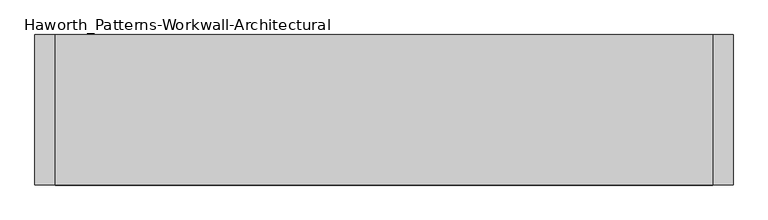
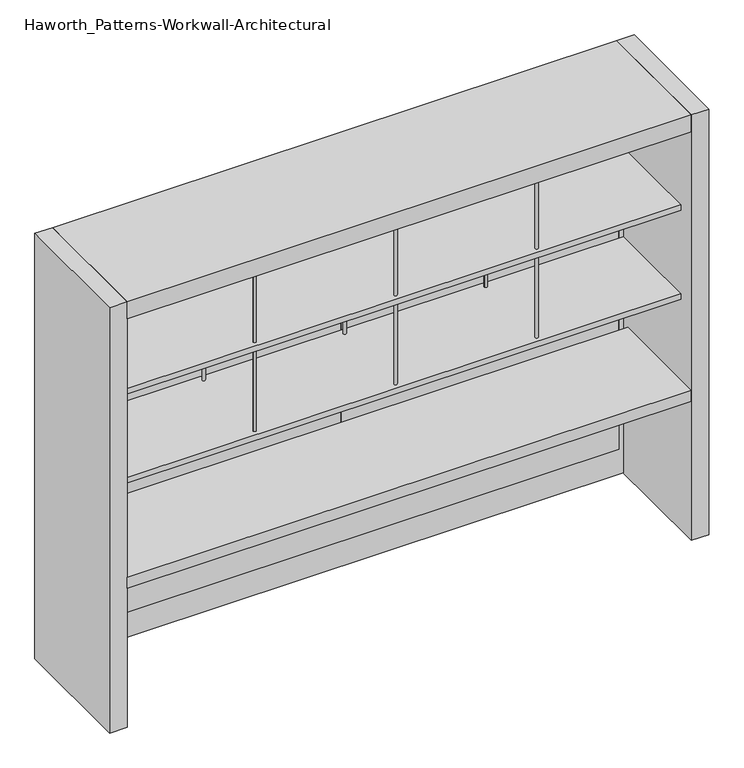
"""IFC4 building model written with IfcOpenShell, lengths in millimetres: furniture geometry, Haworth_Patterns-Workwall-Architectural."""

from ifc_helpers import new_model, si_unit, point, frame, frame_2d, origin, origin_with_axes, place, context, project, spatial, polyline, circle_curve, trimmed, segment, composite_curve, outline, extrude, source, transform, mapped, element, save


def haworth_patterns_workwall_architectural_64b3d967(model_context):
    return source(origin(), model_context, "Body", "SweptSolid", [
        extrude(outline(polyline([(-609.6, 333.375), (-1828.8, 333.375), (-1828.8, 352.425), (-609.6, 352.425), (-609.6, 333.375)])), frame((0.0, 0.0, 635.0), z_axis=(0.0, 0.0, 1.0), x_axis=(1.0, 0.0, 0.0)), (0.0, 0.0, 1.0), 1231.9),
        extrude(outline(polyline([(609.6, 333.375), (-609.6, 333.375), (-609.6, 352.425), (609.6, 352.425), (609.6, 333.375)])), frame((0.0, 0.0, 635.0), z_axis=(0.0, 0.0, 1.0), x_axis=(1.0, 0.0, 0.0)), (0.0, 0.0, 1.0), 1231.9),
        extrude(outline(composite_curve([segment(trimmed(circle_curve(frame_2d((-609.6, -76.2)), 6.35), [point((-615.95, -76.2))], [point((-603.25, -76.2))], False, "CARTESIAN"), True, "CONTINUOUS"), segment(trimmed(circle_curve(frame_2d((-609.6, -76.2)), 6.35), [point((-603.25, -76.2))], [point((-615.95, -76.2))], False, "CARTESIAN"), True, "CONTINUOUS")], self_intersect=False)), frame((0.0, 0.0, 1079.5), z_axis=(0.0, 0.0, 1.0), x_axis=(1.0, 0.0, 0.0)), (0.0, 0.0, 1.0), 381.0),
        extrude(outline(composite_curve([segment(trimmed(circle_curve(frame_2d((-609.6, 304.8)), 6.35), [point((-615.95, 304.8))], [point((-603.25, 304.8))], False, "CARTESIAN"), True, "CONTINUOUS"), segment(trimmed(circle_curve(frame_2d((-609.6, 304.8)), 6.35), [point((-603.25, 304.8))], [point((-615.95, 304.8))], False, "CARTESIAN"), True, "CONTINUOUS")], self_intersect=False)), frame((0.0, 0.0, 1079.5), z_axis=(0.0, 0.0, 1.0), x_axis=(1.0, 0.0, 0.0)), (0.0, 0.0, 1.0), 381.0),
        extrude(outline(composite_curve([segment(trimmed(circle_curve(frame_2d((0.0, -76.2)), 6.35), [point((-6.35, -76.2))], [point((6.35, -76.2))], False, "CARTESIAN"), True, "CONTINUOUS"), segment(trimmed(circle_curve(frame_2d((0.0, -76.2)), 6.35), [point((6.35, -76.2))], [point((-6.35, -76.2))], False, "CARTESIAN"), True, "CONTINUOUS")], self_intersect=False)), frame((0.0, 0.0, 1079.5), z_axis=(0.0, 0.0, 1.0), x_axis=(1.0, 0.0, 0.0)), (0.0, 0.0, 1.0), 381.0),
        extrude(outline(composite_curve([segment(trimmed(circle_curve(frame_2d((0.0, 304.8)), 6.35), [point((-6.35, 304.8))], [point((6.35, 304.8))], False, "CARTESIAN"), True, "CONTINUOUS"), segment(trimmed(circle_curve(frame_2d((0.0, 304.8)), 6.35), [point((6.35, 304.8))], [point((-6.35, 304.8))], False, "CARTESIAN"), True, "CONTINUOUS")], self_intersect=False)), frame((0.0, 0.0, 1079.5), z_axis=(0.0, 0.0, 1.0), x_axis=(1.0, 0.0, 0.0)), (0.0, 0.0, 1.0), 381.0),
        extrude(outline(composite_curve([segment(trimmed(circle_curve(frame_2d((-1219.2, -76.2)), 6.35), [point((-1225.55, -76.2))], [point((-1212.85, -76.2))], False, "CARTESIAN"), True, "CONTINUOUS"), segment(trimmed(circle_curve(frame_2d((-1219.2, -76.2)), 6.35), [point((-1212.85, -76.2))], [point((-1225.55, -76.2))], False, "CARTESIAN"), True, "CONTINUOUS")], self_intersect=False)), frame((0.0, 0.0, 1079.5), z_axis=(0.0, 0.0, 1.0), x_axis=(1.0, 0.0, 0.0)), (0.0, 0.0, 1.0), 381.0),
        extrude(outline(composite_curve([segment(trimmed(circle_curve(frame_2d((-1219.2, 304.8)), 6.35), [point((-1225.55, 304.8))], [point((-1212.85, 304.8))], False, "CARTESIAN"), True, "CONTINUOUS"), segment(trimmed(circle_curve(frame_2d((-1219.2, 304.8)), 6.35), [point((-1212.85, 304.8))], [point((-1225.55, 304.8))], False, "CARTESIAN"), True, "CONTINUOUS")], self_intersect=False)), frame((0.0, 0.0, 1079.5), z_axis=(0.0, 0.0, 1.0), x_axis=(1.0, 0.0, 0.0)), (0.0, 0.0, 1.0), 381.0),
        extrude(outline(polyline([(609.6, 330.2), (609.6, -101.6), (-1828.8, -101.6), (-1828.8, 330.2), (609.6, 330.2)])), frame((0.0, 0.0, 1054.1), z_axis=(0.0, 0.0, 1.0), x_axis=(1.0, 0.0, 0.0)), (0.0, 0.0, 1.0), 25.4),
        extrude(outline(composite_curve([segment(trimmed(circle_curve(frame_2d((-609.6, -76.2)), 6.35), [point((-615.95, -76.2))], [point((-603.25, -76.2))], False, "CARTESIAN"), True, "CONTINUOUS"), segment(trimmed(circle_curve(frame_2d((-609.6, -76.2)), 6.35), [point((-603.25, -76.2))], [point((-615.95, -76.2))], False, "CARTESIAN"), True, "CONTINUOUS")], self_intersect=False)), frame((0.0, 0.0, 1485.9), z_axis=(0.0, 0.0, 1.0), x_axis=(1.0, 0.0, 0.0)), (0.0, 0.0, 1.0), 381.0),
        extrude(outline(composite_curve([segment(trimmed(circle_curve(frame_2d((-609.6, 304.8)), 6.35), [point((-615.95, 304.8))], [point((-603.25, 304.8))], False, "CARTESIAN"), True, "CONTINUOUS"), segment(trimmed(circle_curve(frame_2d((-609.6, 304.8)), 6.35), [point((-603.25, 304.8))], [point((-615.95, 304.8))], False, "CARTESIAN"), True, "CONTINUOUS")], self_intersect=False)), frame((0.0, 0.0, 1485.9), z_axis=(0.0, 0.0, 1.0), x_axis=(1.0, 0.0, 0.0)), (0.0, 0.0, 1.0), 381.0),
        extrude(outline(composite_curve([segment(trimmed(circle_curve(frame_2d((0.0, -76.2)), 6.35), [point((-6.35, -76.2))], [point((6.35, -76.2))], False, "CARTESIAN"), True, "CONTINUOUS"), segment(trimmed(circle_curve(frame_2d((0.0, -76.2)), 6.35), [point((6.35, -76.2))], [point((-6.35, -76.2))], False, "CARTESIAN"), True, "CONTINUOUS")], self_intersect=False)), frame((0.0, 0.0, 1485.9), z_axis=(0.0, 0.0, 1.0), x_axis=(1.0, 0.0, 0.0)), (0.0, 0.0, 1.0), 381.0),
        extrude(outline(composite_curve([segment(trimmed(circle_curve(frame_2d((0.0, 304.8)), 6.35), [point((-6.35, 304.8))], [point((6.35, 304.8))], False, "CARTESIAN"), True, "CONTINUOUS"), segment(trimmed(circle_curve(frame_2d((0.0, 304.8)), 6.35), [point((6.35, 304.8))], [point((-6.35, 304.8))], False, "CARTESIAN"), True, "CONTINUOUS")], self_intersect=False)), frame((0.0, 0.0, 1485.9), z_axis=(0.0, 0.0, 1.0), x_axis=(1.0, 0.0, 0.0)), (0.0, 0.0, 1.0), 381.0),
        extrude(outline(composite_curve([segment(trimmed(circle_curve(frame_2d((-1219.2, -76.2)), 6.35), [point((-1225.55, -76.2))], [point((-1212.85, -76.2))], False, "CARTESIAN"), True, "CONTINUOUS"), segment(trimmed(circle_curve(frame_2d((-1219.2, -76.2)), 6.35), [point((-1212.85, -76.2))], [point((-1225.55, -76.2))], False, "CARTESIAN"), True, "CONTINUOUS")], self_intersect=False)), frame((0.0, 0.0, 1485.9), z_axis=(0.0, 0.0, 1.0), x_axis=(1.0, 0.0, 0.0)), (0.0, 0.0, 1.0), 381.0),
        extrude(outline(composite_curve([segment(trimmed(circle_curve(frame_2d((-1219.2, 304.8)), 6.35), [point((-1225.55, 304.8))], [point((-1212.85, 304.8))], False, "CARTESIAN"), True, "CONTINUOUS"), segment(trimmed(circle_curve(frame_2d((-1219.2, 304.8)), 6.35), [point((-1212.85, 304.8))], [point((-1225.55, 304.8))], False, "CARTESIAN"), True, "CONTINUOUS")], self_intersect=False)), frame((0.0, 0.0, 1485.9), z_axis=(0.0, 0.0, 1.0), x_axis=(1.0, 0.0, 0.0)), (0.0, 0.0, 1.0), 381.0),
        extrude(outline(polyline([(609.6, 330.2), (609.6, -101.6), (-1828.8, -101.6), (-1828.8, 330.2), (609.6, 330.2)])), frame((0.0, 0.0, 1460.5), z_axis=(0.0, 0.0, 1.0), x_axis=(1.0, 0.0, 0.0)), (0.0, 0.0, 1.0), 25.4),
        extrude(outline(polyline([(1866.9, 609.6), (1866.9, -1828.8), (635.0, -1828.8), (635.0, 609.6), (1866.9, 609.6)]), holes=[polyline([(1847.85, 590.55), (654.05, 590.55), (654.05, -1809.75), (1847.85, -1809.75), (1847.85, 590.55)])]), frame((0.0, 330.2, 0.0), z_axis=(0.0, 1.0, 0.0), x_axis=(0.0, 0.0, 1.0)), (0.0, 0.0, 1.0), 25.4),
        extrude(outline(polyline([(590.55, 330.2), (-1809.75, 330.2), (-1809.75, 355.6), (590.55, 355.6), (590.55, 330.2)])), frame((0.0, 0.0, 114.3), z_axis=(0.0, 0.0, 1.0), x_axis=(1.0, 0.0, 0.0)), (0.0, 0.0, 1.0), 495.3),
        extrude(outline(polyline([(-1828.8, 295.275), (609.6, 295.275), (609.6, -177.8), (-1828.8, -177.8), (-1828.8, 295.275)])), frame((0.0, 0.0, 635.0), z_axis=(0.0, 0.0, 1.0), x_axis=(1.0, 0.0, 0.0)), (0.0, 0.0, 1.0), 50.8),
        extrude(outline(polyline([(635.0, 609.6), (635.0, -1828.8), (0.0, -1828.8), (0.0, 609.6), (635.0, 609.6)]), holes=[polyline([(609.6, 590.55), (114.3, 590.55), (114.3, -1809.75), (609.6, -1809.75), (609.6, 590.55)])]), frame((0.0, 330.2, 0.0), z_axis=(0.0, 1.0, 0.0), x_axis=(0.0, 0.0, 1.0)), (0.0, 0.0, 1.0), 25.4),
        extrude(outline(polyline([(609.6, -177.8), (-1828.8, -177.8), (-1828.8, 381.0), (609.6, 381.0), (609.6, -177.8)])), frame((0.0, 0.0, 1866.9), z_axis=(0.0, 0.0, 1.0), x_axis=(1.0, 0.0, 0.0)), (0.0, 0.0, 1.0), 76.2),
        extrude(outline(polyline([(685.8, 381.0), (685.8, -177.8), (609.6, -177.8), (609.6, 381.0), (685.8, 381.0)])), origin_with_axes(), (0.0, 0.0, 1.0), 1943.1),
        extrude(outline(polyline([(-1828.8, 381.0), (-1828.8, -177.8), (-1905.0, -177.8), (-1905.0, 381.0), (-1828.8, 381.0)])), origin_with_axes(), (0.0, 0.0, 1.0), 1943.1),
    ])


if __name__ == "__main__":
    model = new_model("IFC4")
    model_context = context("Model", 3, world=origin())
    ifc_project = project(units=[si_unit("LENGTHUNIT", "METRE", prefix="MILLI")], contexts=[model_context])
    site = spatial("IfcSite", under=ifc_project)
    building = spatial("IfcBuilding", under=site)
    placement = place(None, origin())
    haworth_patterns_workwall_architectural_shape = haworth_patterns_workwall_architectural_64b3d967(model_context)
    element("IfcFurniture", 1, ObjectType="Haworth_Patterns-Workwall-Architectural", at=placement, inside=building, context=model_context, shape_type="MappedRepresentation", body=[
        mapped(haworth_patterns_workwall_architectural_shape, transform((0.0, 0.0, 0.0), x_axis=(1.0, 0.0, 0.0), y_axis=(0.0, 1.0, 0.0), z_axis=(0.0, 0.0, 1.0))),
    ])
    save(model, "model.ifc")
